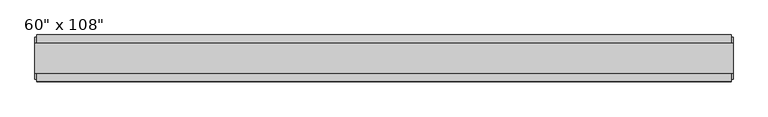
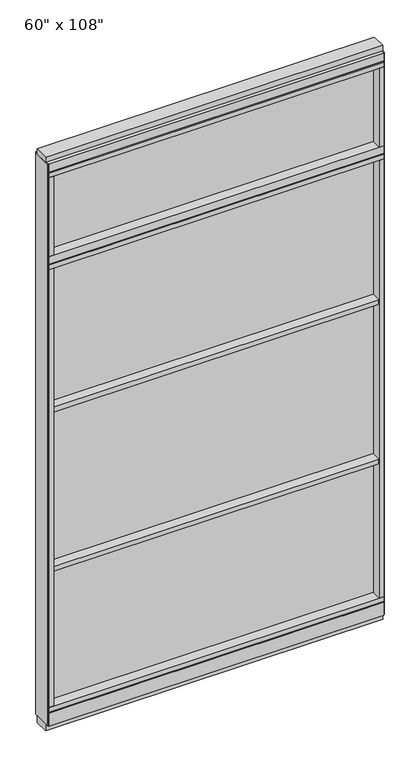
"""IFC4 building model written with IfcOpenShell, lengths in millimetres: furniture geometry."""

from ifc_helpers import new_model, si_unit, frame, origin, origin_with_axes, place, context, project, spatial, polyline, outline, extrude, source, transform, mapped, element, save


def furniture_16f1750f(model_context):
    return source(origin(), model_context, "Body", "SweptSolid", [
        extrude(outline(polyline([(675.8014771, -9.5977216), (-795.8745229, -9.5977216), (-795.8745229, 0.5622784), (675.8014771, 0.5622784), (675.8014771, -9.5977216)])), frame((0.0, 0.0, 2276.475), z_axis=(0.0, 0.0, 1.0), x_axis=(1.0, 0.0, 0.0)), (0.0, 0.0, 1.0), 355.6),
        extrude(outline(polyline([(-795.8745229, -52.3332216), (-795.8745229, 43.2977784), (675.8014771, 43.2977784), (675.8014771, -52.3332216), (-795.8745229, -52.3332216)])), frame((0.0, 0.0, 1524.0), z_axis=(0.0, 0.0, 1.0), x_axis=(1.0, 0.0, 0.0)), (0.0, 0.0, 1.0), 22.225),
        extrude(outline(polyline([(-795.8745229, -52.3332216), (-795.8745229, 43.2977784), (675.8014771, 43.2977784), (675.8014771, -52.3332216), (-795.8745229, -52.3332216)])), frame((0.0, 0.0, 762.0), z_axis=(0.0, 0.0, 1.0), x_axis=(1.0, 0.0, 0.0)), (0.0, 0.0, 1.0), 22.225),
        extrude(outline(polyline([(675.8014771, -9.5977216), (-795.8745229, -9.5977216), (-795.8745229, 0.5622784), (675.8014771, 0.5622784), (675.8014771, -9.5977216)])), frame((0.0, 0.0, 120.523), z_axis=(0.0, 0.0, 1.0), x_axis=(1.0, 0.0, 0.0)), (0.0, 0.0, 1.0), 2114.677),
        extrude(outline(polyline([(675.8014771, -55.3177216), (675.8014771, 46.2822784), (698.0264771, 46.2822784), (698.0264771, -55.3177216), (675.8014771, -55.3177216)])), frame((0.0, 0.0, 2276.475), z_axis=(0.0, 0.0, 1.0), x_axis=(1.0, 0.0, 0.0)), (0.0, 0.0, 1.0), 377.825),
        extrude(outline(polyline([(-55.3177216, 2240.153), (-55.3177216, 2276.475), (46.2822784, 2276.475), (46.2822784, 2240.153), (41.3292784, 2240.153), (41.3292784, 2235.2), (-50.3647216, 2235.2), (-50.3647216, 2240.153), (-55.3177216, 2240.153)])), frame((-818.0995229, 0.0, 0.0), z_axis=(1.0, 0.0, 0.0), x_axis=(0.0, 1.0, 0.0)), (0.0, 0.0, 1.0), 1516.126),
        extrude(outline(polyline([(-795.8745229, -55.3177216), (-818.0995229, -55.3177216), (-818.0995229, 46.2822784), (-795.8745229, 46.2822784), (-795.8745229, -55.3177216)])), frame((0.0, 0.0, 2276.475), z_axis=(0.0, 0.0, 1.0), x_axis=(1.0, 0.0, 0.0)), (0.0, 0.0, 1.0), 377.825),
        extrude(outline(polyline([(-818.0995229, -55.3177216), (-818.0995229, 46.2822784), (698.0264771, 46.2822784), (698.0264771, -55.3177216), (-818.0995229, -55.3177216)])), frame((0.0, 0.0, 2212.975), z_axis=(0.0, 0.0, 1.0), x_axis=(1.0, 0.0, 0.0)), (0.0, 0.0, 1.0), 22.225),
        extrude(outline(polyline([(-55.3177216, 93.345), (-50.3647216, 93.345), (-50.3647216, 98.298), (41.3292784, 98.298), (41.3292784, 93.345), (46.2822784, 93.345), (46.2822784, 31.75), (-55.3177216, 31.75), (-55.3177216, 93.345)])), frame((-818.0995229, 0.0, 0.0), z_axis=(1.0, 0.0, 0.0), x_axis=(0.0, 1.0, 0.0)), (0.0, 0.0, 1.0), 1516.126),
        extrude(outline(polyline([(-818.0995229, -55.3177216), (-818.0995229, 46.2822784), (698.0264771, 46.2822784), (698.0264771, -55.3177216), (-818.0995229, -55.3177216)])), frame((0.0, 0.0, 98.298), z_axis=(0.0, 0.0, 1.0), x_axis=(1.0, 0.0, 0.0)), (0.0, 0.0, 1.0), 22.225),
        extrude(outline(polyline([(701.9634771, 27.9942784), (701.9634771, -37.0297216), (-822.0365229, -37.0297216), (-822.0365229, 27.9942784), (701.9634771, 27.9942784)])), origin_with_axes(), (0.0, 0.0, 1.0), 31.75),
        extrude(outline(polyline([(-822.0365229, -37.0297216), (-822.0365229, 27.9942784), (701.9634771, 27.9942784), (701.9634771, -37.0297216), (-822.0365229, -37.0297216)])), frame((0.0, 0.0, 2717.8), z_axis=(0.0, 0.0, 1.0), x_axis=(1.0, 0.0, 0.0)), (0.0, 0.0, 1.0), 25.4),
        extrude(outline(polyline([(-55.3177216, 2681.478), (-55.3177216, 2717.8), (46.2822784, 2717.8), (46.2822784, 2681.478), (41.3292784, 2681.478), (41.3292784, 2676.525), (-50.3647216, 2676.525), (-50.3647216, 2681.478), (-55.3177216, 2681.478)])), frame((-818.0995229, 0.0, 0.0), z_axis=(1.0, 0.0, 0.0), x_axis=(0.0, 1.0, 0.0)), (0.0, 0.0, 1.0), 1516.126),
        extrude(outline(polyline([(698.0264771, 46.2822784), (698.0264771, -55.3177216), (-818.0995229, -55.3177216), (-818.0995229, 46.2822784), (698.0264771, 46.2822784)])), frame((0.0, 0.0, 2654.3), z_axis=(0.0, 0.0, 1.0), x_axis=(1.0, 0.0, 0.0)), (0.0, 0.0, 1.0), 22.225),
        extrude(outline(polyline([(675.8014771, -55.3177216), (675.8014771, 46.2822784), (698.0264771, 46.2822784), (698.0264771, -55.3177216), (675.8014771, -55.3177216)])), frame((0.0, 0.0, 120.523), z_axis=(0.0, 0.0, 1.0), x_axis=(1.0, 0.0, 0.0)), (0.0, 0.0, 1.0), 2092.452),
        extrude(outline(polyline([(-795.8745229, -55.3177216), (-818.0995229, -55.3177216), (-818.0995229, 46.2822784), (-795.8745229, 46.2822784), (-795.8745229, -55.3177216)])), frame((0.0, 0.0, 120.523), z_axis=(0.0, 0.0, 1.0), x_axis=(1.0, 0.0, 0.0)), (0.0, 0.0, 1.0), 2092.452),
        extrude(outline(polyline([(701.9634771, -50.3647216), (698.0264771, -50.3647216), (698.0264771, 41.3292784), (701.9634771, 41.3292784), (701.9634771, -50.3647216)])), frame((0.0, 0.0, 31.75), z_axis=(0.0, 0.0, 1.0), x_axis=(1.0, 0.0, 0.0)), (0.0, 0.0, 1.0), 2686.05),
        extrude(outline(polyline([(-822.0365229, -50.3647216), (-822.0365229, 41.3292784), (-818.0995229, 41.3292784), (-818.0995229, -50.3647216), (-822.0365229, -50.3647216)])), frame((0.0, 0.0, 31.75), z_axis=(0.0, 0.0, 1.0), x_axis=(1.0, 0.0, 0.0)), (0.0, 0.0, 1.0), 2686.05),
    ])


if __name__ == "__main__":
    model = new_model("IFC4")
    model_context = context("Model", 3, world=origin())
    ifc_project = project(units=[si_unit("LENGTHUNIT", "METRE", prefix="MILLI")], contexts=[model_context])
    site = spatial("IfcSite", under=ifc_project)
    building = spatial("IfcBuilding", under=site)
    placement = place(None, origin())
    furniture_shape = furniture_16f1750f(model_context)
    element("IfcFurniture", 1, ObjectType="60\" x 108\"", at=placement, inside=building, context=model_context, shape_type="MappedRepresentation", body=[
        mapped(furniture_shape, transform((0.0, 0.0, 0.0), x_axis=(1.0, 0.0, 0.0), y_axis=(0.0, 1.0, 0.0), z_axis=(0.0, 0.0, 1.0))),
    ])
    save(model, "model.ifc")
